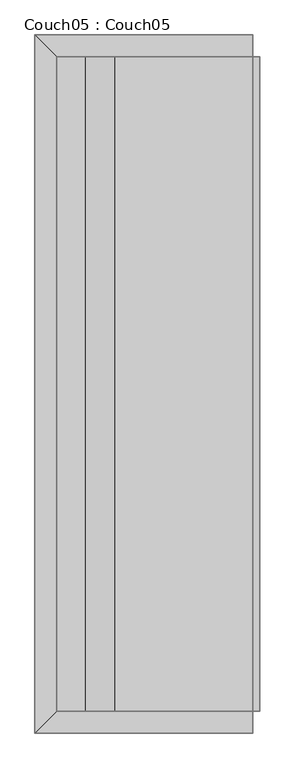
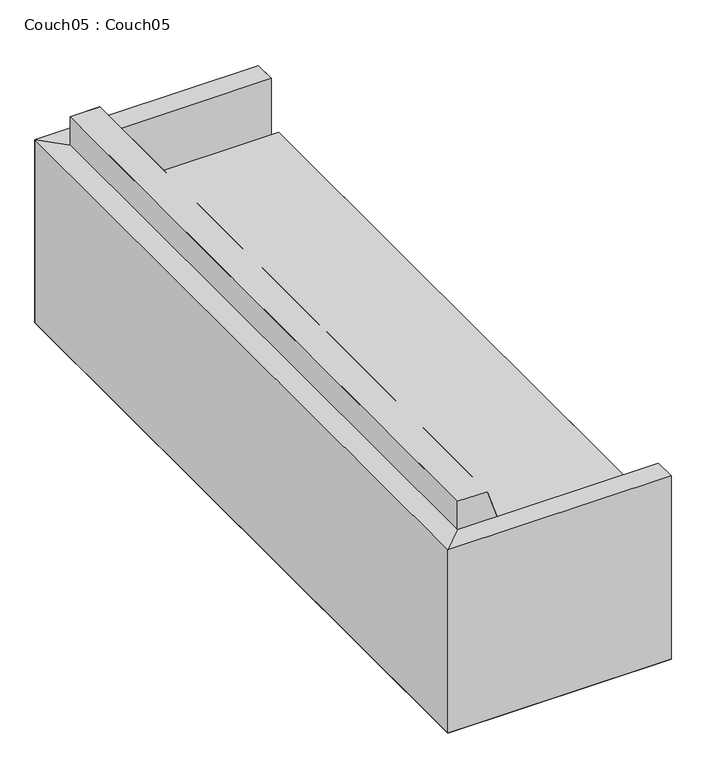
"""IFC4 building model written with IfcOpenShell, lengths in millimetres: furniture geometry, Couch05 : Couch05."""

from ifc_helpers import new_model, si_unit, origin, place, context, project, spatial, triangles, source, transform, mapped, element, save


def couch05_couch05_e9f14d2e(model_context):
    return source(origin(), model_context, "Body", "Tessellation", [
        triangles([(0.0, -1219.2, 660.4000969), (76.2, -1143.0, 660.4000969), (0.0, 1219.2, 660.3998789), (76.2, 1143.0, 660.3998789), (76.2, -380.9999637, 762.0000727), (76.2, -1143.0, 762.0000727), (177.7999939, -380.9999637, 762.0000727), (177.7999939, -1143.0, 762.0000727), (279.4000061, -381.0, 457.2000363), (279.4000061, -1143.0, 457.200109), (787.3999758, -381.0, 457.2000363), (787.3999758, -1143.0, 457.200109), (279.4000061, 381.0, 457.1999637), (787.3999758, 381.0, 457.1999637), (76.2, 381.0000363, 761.9999273), (177.7999939, 381.0000363, 761.9999273), (279.4000061, 1143.0, 457.199891), (787.3999758, 1143.0, 457.199891), (76.2, 1143.0, 761.9999273), (177.7999939, 1143.0, 761.9999273), (0.0, -1219.2, 0.0001066), (76.2, -1143.0, 9.99e-05), (0.0, 1219.2, -0.0001066), (76.2, 1143.0, -9.99e-05)], [[1, 2, 3], [4, 3, 2], [5, 6, 7], [8, 7, 6], [9, 10, 11], [12, 11, 10], [13, 9, 14], [11, 14, 9], [15, 5, 16], [7, 16, 5], [17, 13, 18], [14, 18, 13], [19, 15, 20], [16, 20, 15], [21, 22, 23], [24, 23, 22]], closed=False),
        triangles([(0.0, 1219.2, 660.4000242), (76.2, 1143.0, 660.4000242), (762.0, 1219.2, 660.4000242), (762.0, 1143.0, 660.4000242), (0.0, 1219.2, -3.3e-06), (76.2, 1143.0, 3.3e-06), (762.0, 1219.2, -3.3e-06), (762.0, 1143.0, 3.3e-06)], [[1, 2, 3], [4, 3, 2], [5, 6, 7], [8, 7, 6]], closed=False),
        triangles([(0.0, -1219.2, 660.4000242), (762.0, -1219.2, 660.4000242), (76.2, -1143.0, 660.4000242), (762.0, -1143.0, 660.4000242), (0.0, -1219.2, 3.3e-06), (762.0, -1219.2, 3.3e-06), (76.2, -1143.0, -3.3e-06), (762.0, -1143.0, -3.3e-06)], [[1, 2, 3], [4, 3, 2], [5, 6, 7], [8, 7, 6]], closed=False),
        triangles([(177.7999939, -380.9999637, 762.0000727), (177.7999939, -1143.0, 762.0000727), (279.4000061, -381.0, 457.2000363), (279.4000061, -1143.0, 457.200109), (177.7999939, 381.0000363, 761.9999273), (279.4000061, 381.0, 457.1999637), (177.7999939, 1143.0, 761.9999273), (279.4000061, 1143.0, 457.199891), (762.0, -1143.0, 9.99e-05), (762.0, -1143.0, 660.4000969), (762.0, -1219.2, 660.4000969), (762.0, -1219.2, 0.0001066), (0.0, -1219.2, 660.4000969), (0.0, -1219.2, 0.0001066), (0.0, 1219.2, 660.3998789), (0.0, 1219.2, -0.0001066), (762.0, 1219.2, -0.0001066), (762.0, 1219.2, 660.3998789), (762.0, 1143.0, 660.3998789), (762.0, 1143.0, -9.99e-05), (787.3999758, -381.0, 457.2000363), (787.3999758, -1143.0, 457.200109), (787.3999758, -381.0, 355.6000242), (787.3999758, -1143.0, 355.6000969), (787.3999758, 381.0, 457.1999637), (787.3999758, 381.0, 355.5999879), (787.3999758, 1143.0, 457.199891), (787.3999758, 1143.0, 355.5999152), (762.0, 1143.0, 355.5999152), (762.0, -1143.0, 355.6000969), (76.2, 1143.0, 761.9999273), (76.2, -1143.0, 762.0000727), (76.2, 1143.0, 660.3998789), (76.2, -1143.0, 660.4000969)], [[1, 2, 3], [4, 3, 2], [5, 1, 6], [3, 6, 1], [7, 5, 8], [6, 8, 5], [9, 10, 11], [11, 12, 9], [13, 14, 15], [16, 15, 14], [17, 18, 19], [19, 20, 17], [21, 22, 23], [24, 23, 22], [21, 23, 25], [26, 25, 23], [25, 26, 27], [28, 27, 26], [29, 30, 20], [9, 20, 30], [31, 32, 33], [34, 33, 32]], closed=False),
        triangles([(76.2, -1143.0, 9.99e-05), (76.2, -1143.0, 660.4000969), (762.0, -1143.0, 9.99e-05), (762.0, -1143.0, 660.4000969), (762.0, -1219.2, 660.4000969), (762.0, -1219.2, 0.0001066), (0.0, -1219.2, 660.4000969), (0.0, -1219.2, 0.0001066), (0.0, 1219.2, -0.0001066), (0.0, 1219.2, 660.3998789), (762.0, 1219.2, -0.0001066), (762.0, 1219.2, 660.3998789), (762.0, 1143.0, 660.3998789), (762.0, 1143.0, -9.99e-05), (76.2, 1143.0, -9.99e-05), (76.2, 1143.0, 660.3998789), (762.0, 1143.0, 457.199891), (787.3999758, 1143.0, 457.199891), (762.0, 1143.0, 355.5999152), (787.3999758, 1143.0, 355.5999152), (177.7999939, 1143.0, 761.9999273), (279.4000061, 1143.0, 457.199891), (76.2, 1143.0, 761.9999273), (76.2, 1143.0, 457.199891), (177.7999939, -1143.0, 762.0000727), (279.4000061, -1143.0, 457.200109), (76.2, -1143.0, 762.0000727), (76.2, -1143.0, 457.200109), (762.0, -1143.0, 457.200109), (787.3999758, -1143.0, 457.200109), (762.0, -1143.0, 355.6000969), (787.3999758, -1143.0, 355.6000969)], [[1, 2, 3], [4, 3, 2], [5, 6, 7], [8, 7, 6], [9, 10, 11], [12, 11, 10], [13, 14, 15], [15, 16, 13], [17, 18, 19], [20, 19, 18], [21, 22, 23], [24, 23, 22], [25, 26, 27], [28, 27, 26], [29, 30, 31], [32, 31, 30]], closed=False),
    ])


if __name__ == "__main__":
    model = new_model("IFC4")
    model_context = context("Model", 3, world=origin())
    ifc_project = project(units=[si_unit("LENGTHUNIT", "METRE", prefix="MILLI")], contexts=[model_context])
    site = spatial("IfcSite", under=ifc_project)
    building = spatial("IfcBuilding", under=site)
    placement = place(None, origin())
    couch05_couch05_shape = couch05_couch05_e9f14d2e(model_context)
    element("IfcFurniture", 1, ObjectType="Couch05 : Couch05", at=placement, inside=building, context=model_context, shape_type="MappedRepresentation", body=[
        mapped(couch05_couch05_shape, transform((0.0, 0.0, 0.0), x_axis=(1.0, 0.0, 0.0), y_axis=(0.0, 1.0, 0.0), z_axis=(0.0, 0.0, 1.0))),
    ])
    save(model, "model.ifc")
